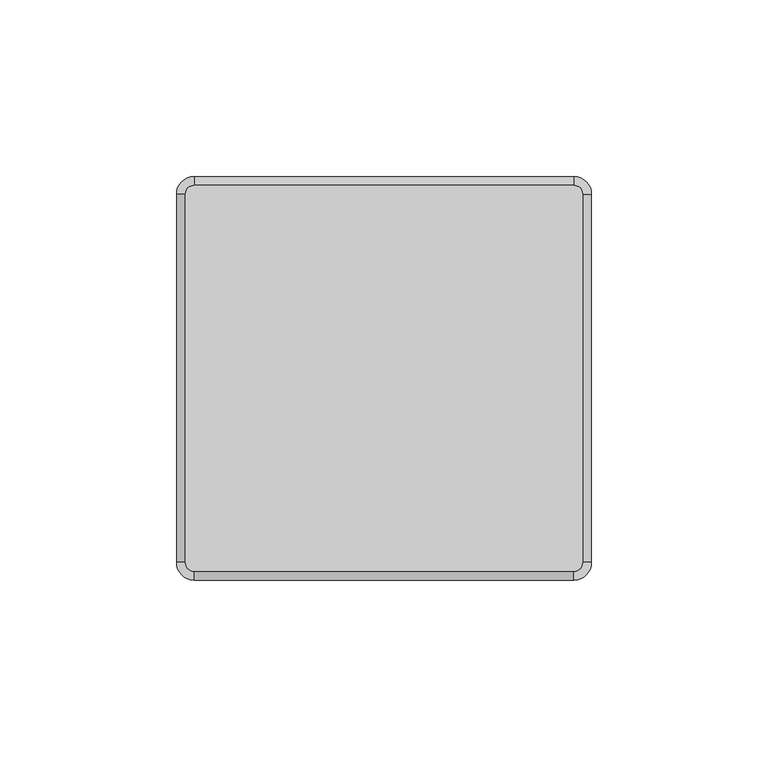
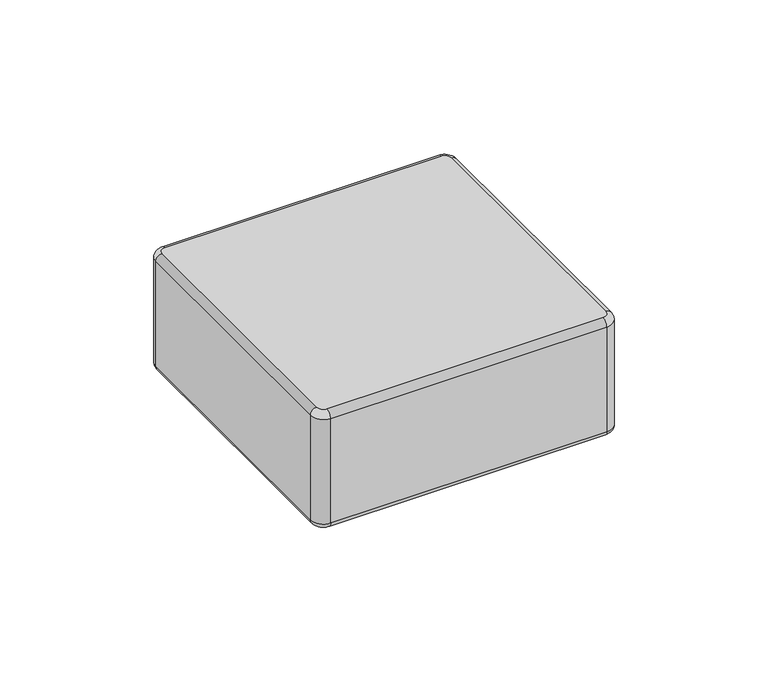
"""IFC4 building model written with IfcOpenShell, lengths in millimetres: plate geometry."""

from ifc_helpers import new_model, si_unit, point, frame, origin, place, context, project, spatial, circle_curve, ellipse_curve, trimmed, source, transform, mapped, element, save
from ifc_brep_helpers import plane_surface, cylinder_surface, revolved_surface, advanced_brep


def plate_c37a304c(model_context):
    return source(origin(), model_context, "Body", "AdvancedBrep", [
        advanced_brep(
        [(56.2624998, -52.15, 48.0), (56.2624998, 52.15, 48.0), (53.7624998, 54.65, 48.0), (-53.7375002, 54.65, 48.0), (-56.2375002, 52.15, 48.0), (-56.2375002, -52.15, 48.0), (-53.7375002, -54.65, 48.0), (53.7624998, -54.65, 48.0), (-56.2375002, -52.15, 0.0), (-56.2375002, 52.15, 0.0), (-53.7375002, 54.65, 0.0), (53.7624998, 54.65, 0.0), (56.2624998, 52.15, 0.0), (56.2624998, -52.15, 0.0), (53.7624998, -54.65, 0.0), (-53.7375002, -54.65, 0.0), (-53.7375002, 57.15, 2.5), (-53.7375002, 57.15, 45.5000008), (53.7624998, 57.15, 45.5), (53.7624998, 57.15, 2.4999992), (58.7624998, 52.15, 2.5), (58.7624998, 52.15, 45.5000009), (58.7624998, -52.15, 45.5), (58.7624998, -52.15, 2.4999992), (53.7624998, -57.15, 2.5), (53.7624998, -57.15, 45.5000008), (-53.7375002, -57.15, 45.5), (-53.7375002, -57.15, 2.4999992), (-58.7375002, -52.15, 2.4999981), (-58.7375002, -52.15, 45.5000009), (-58.7375002, 52.15, 45.5), (-58.7375002, 52.15, 2.4999992)],
        [
            (0, 1),
            (1, 2, circle_curve(frame((53.7624998, 52.15, 48.0), z_axis=(0.0, 0.0, 1.0), x_axis=(0.0, 1.0, 0.0)), 2.5)),
            (2, 3),
            (3, 4, circle_curve(frame((-53.7375002, 52.15, 48.0), z_axis=(0.0, 0.0, 1.0), x_axis=(-1.0, 0.0, 0.0)), 2.5)),
            (4, 5),
            (5, 6, circle_curve(frame((-53.7375002, -52.15, 48.0), z_axis=(0.0, 0.0, 1.0), x_axis=(0.0, -1.0, 0.0)), 2.5)),
            (6, 7),
            (7, 0, circle_curve(frame((53.7624998, -52.15, 48.0), z_axis=(0.0, 0.0, 1.0), x_axis=(1.0, 0.0, 0.0)), 2.5)),
            (8, 9),
            (9, 10, circle_curve(frame((-53.7375002, 52.15, 0.0), z_axis=(0.0, 0.0, -1.0), x_axis=(0.0, 1.0, 0.0)), 2.5)),
            (10, 11),
            (11, 12, circle_curve(frame((53.7624998, 52.15, 0.0), z_axis=(0.0, 0.0, -1.0), x_axis=(1.0, 0.0, 0.0)), 2.5)),
            (12, 13),
            (13, 14, circle_curve(frame((53.7624998, -52.15, 0.0), z_axis=(0.0, 0.0, -1.0), x_axis=(0.0, -1.0, 0.0)), 2.5)),
            (14, 15),
            (15, 8, circle_curve(frame((-53.7375002, -52.15, 0.0), z_axis=(0.0, 0.0, -1.0), x_axis=(-1.0, 0.0, 0.0)), 2.5)),
            (16, 17),
            (17, 18),
            (18, 19),
            (19, 16),
            (20, 21),
            (21, 22),
            (22, 23),
            (23, 20),
            (24, 25),
            (25, 26),
            (26, 27),
            (27, 24),
            (28, 29),
            (29, 30),
            (30, 31),
            (31, 28),
            (30, 17, circle_curve(frame((-53.7375002, 52.15, 45.5), z_axis=(0.0, 0.0, -1.0), x_axis=(1.0, 0.0, 0.0)), 5.0)),
            (16, 31, circle_curve(frame((-53.7375002, 52.15, 2.5), z_axis=(0.0, 0.0, 1.0), x_axis=(1.0, 0.0, 0.0)), 5.0)),
            (18, 21, circle_curve(frame((53.7624998, 52.15, 45.5), z_axis=(0.0, 0.0, -1.0), x_axis=(1.0, 0.0, 0.0)), 5.0)),
            (20, 19, circle_curve(frame((53.7624998, 52.15, 2.5), z_axis=(0.0, 0.0, 1.0), x_axis=(1.0, 0.0, 0.0)), 5.0)),
            (22, 25, circle_curve(frame((53.7624998, -52.15, 45.5), z_axis=(0.0, 0.0, -1.0), x_axis=(1.0, 0.0, 0.0)), 5.0)),
            (24, 23, circle_curve(frame((53.7624998, -52.15, 2.5), z_axis=(0.0, 0.0, 1.0), x_axis=(1.0, 0.0, 0.0)), 5.0)),
            (26, 29, circle_curve(frame((-53.7375002, -52.15, 45.5), z_axis=(0.0, 0.0, -1.0), x_axis=(1.0, 0.0, 0.0)), 5.0)),
            (28, 27, circle_curve(frame((-53.7375002, -52.15, 2.5), z_axis=(0.0, 0.0, 1.0), x_axis=(1.0, 0.0, 0.0)), 5.0)),
            (28, 8, circle_curve(frame((-56.2375002, -52.15, 2.5), z_axis=(0.0, -1.0, 0.0), x_axis=(1.0, 0.0, 0.0)), 2.5)),
            (15, 27, circle_curve(frame((-53.7375002, -54.65, 2.5), z_axis=(-1.0, 0.0, 0.0), x_axis=(0.0, 1.0, 0.0)), 2.5)),
            (14, 24, circle_curve(frame((53.7624998, -54.65, 2.5), z_axis=(-1.0, 0.0, 0.0), x_axis=(0.0, 1.0, 0.0)), 2.5)),
            (13, 23, circle_curve(frame((56.2624998, -52.15, 2.5), z_axis=(0.0, -1.0, 0.0), x_axis=(-1.0, 0.0, 0.0)), 2.5)),
            (12, 20, circle_curve(frame((56.2624998, 52.15, 2.5), z_axis=(0.0, -1.0, 0.0), x_axis=(-1.0, 0.0, 0.0)), 2.5)),
            (11, 19, circle_curve(frame((53.7624998, 54.65, 2.5), z_axis=(1.0, 0.0, 0.0), x_axis=(0.0, -1.0, 0.0)), 2.5)),
            (10, 16, circle_curve(frame((-53.7375002, 54.65, 2.5), z_axis=(1.0, 0.0, 0.0), x_axis=(0.0, -1.0, 0.0)), 2.5)),
            (9, 31, circle_curve(frame((-56.2375002, 52.15, 2.5), z_axis=(0.0, 1.0, 0.0), x_axis=(1.0, 0.0, 0.0)), 2.5)),
            (22, 0, circle_curve(frame((56.2624998, -52.15, 45.5), z_axis=(0.0, -1.0, 0.0), x_axis=(-1.0, 0.0, 0.0)), 2.5)),
            (7, 25, circle_curve(frame((53.7624998, -54.65, 45.5), z_axis=(1.0, 0.0, 0.0), x_axis=(0.0, 1.0, 0.0)), 2.5)),
            (6, 26, circle_curve(frame((-53.7375002, -54.65, 45.5), z_axis=(1.0, 0.0, 0.0), x_axis=(0.0, 1.0, 0.0)), 2.5)),
            (5, 29, circle_curve(frame((-56.2375002, -52.15, 45.5), z_axis=(0.0, -1.0, 0.0), x_axis=(1.0, 0.0, 0.0)), 2.5)),
            (4, 30, circle_curve(frame((-56.2375002, 52.15, 45.5), z_axis=(0.0, -1.0, 0.0), x_axis=(1.0, 0.0, 0.0)), 2.5)),
            (3, 17, circle_curve(frame((-53.7375002, 54.65, 45.5), z_axis=(-1.0, 0.0, 0.0), x_axis=(0.0, -1.0, 0.0)), 2.5)),
            (2, 18, circle_curve(frame((53.7624998, 54.65, 45.5), z_axis=(-1.0, 0.0, 0.0), x_axis=(0.0, -1.0, 0.0)), 2.5)),
            (1, 21, circle_curve(frame((56.2624998, 52.15, 45.5), z_axis=(0.0, 1.0, 0.0), x_axis=(-1.0, 0.0, 0.0)), 2.5)),
        ],
        [
            plane_surface(frame((-48.7375002, 52.15, 48.0), z_axis=(0.0, 0.0, 1.0), x_axis=(0.0, -1.0, 0.0))),
            plane_surface(frame((-48.7375002, 52.15, 0.0), z_axis=(0.0, 0.0, -1.0), x_axis=(0.0, 1.0, 0.0))),
            plane_surface(frame((-53.7375002, 57.15, 48.0), z_axis=(0.0, 1.0, 0.0), x_axis=(0.0, 0.0, -1.0))),
            plane_surface(frame((58.7624998, 52.15, 48.0), z_axis=(1.0, 0.0, 0.0), x_axis=(0.0, 0.0, -1.0))),
            plane_surface(frame((53.7624998, -57.15, 48.0), z_axis=(0.0, -1.0, 0.0), x_axis=(0.0, 0.0, -1.0))),
            plane_surface(frame((-58.7375002, -52.15, 48.0), z_axis=(-1.0, 0.0, 0.0), x_axis=(0.0, 0.0, -1.0))),
            cylinder_surface(frame((-53.7375002, 52.15, 0.0), z_axis=(0.0, 0.0, 1.0), x_axis=(1.0, 0.0, 0.0)), 5.0),
            cylinder_surface(frame((53.7624998, 52.15, 0.0), z_axis=(0.0, 0.0, 1.0), x_axis=(1.0, 0.0, 0.0)), 5.0),
            cylinder_surface(frame((53.7624998, -52.15, 0.0), z_axis=(0.0, 0.0, 1.0), x_axis=(1.0, 0.0, 0.0)), 5.0),
            cylinder_surface(frame((-53.7375002, -52.15, 0.0), z_axis=(0.0, 0.0, 1.0), x_axis=(1.0, 0.0, 0.0)), 5.0),
            revolved_surface(trimmed(ellipse_curve(frame((-56.2375002, -52.15, 2.5), z_axis=(0.0, -1.0, 0.0), x_axis=(1.0, 0.0, 0.0)), 2.5, 2.5), [point((-58.7375002, -52.15, 2.5))], [point((-56.2375002, -52.15, 0.0))], True, "CARTESIAN"), (-53.7375002, -52.15, 0.0), (0.0, 0.0, -1.0)),
            cylinder_surface(frame((-53.7375002, -54.65, 2.5), z_axis=(1.0, 0.0, 0.0), x_axis=(0.0, 1.0, 0.0)), 2.5),
            revolved_surface(trimmed(ellipse_curve(frame((53.7624998, -54.65, 2.5), z_axis=(1.0, 0.0, 0.0), x_axis=(0.0, 1.0, 0.0)), 2.5, 2.5), [point((53.7624998, -57.15, 2.5))], [point((53.7624998, -54.65, 0.0))], True, "CARTESIAN"), (53.7624998, -52.15, 0.0), (0.0, 0.0, -1.0)),
            cylinder_surface(frame((56.2624998, -52.15, 2.5), z_axis=(0.0, 1.0, 0.0), x_axis=(-1.0, 0.0, 0.0)), 2.5),
            revolved_surface(trimmed(ellipse_curve(frame((56.2624998, 52.15, 2.5), z_axis=(0.0, 1.0, 0.0), x_axis=(-1.0, 0.0, 0.0)), 2.5, 2.5), [point((58.7624998, 52.15, 2.5))], [point((56.2624998, 52.15, 0.0))], True, "CARTESIAN"), (53.7624998, 52.15, 0.0), (0.0, 0.0, -1.0)),
            cylinder_surface(frame((53.7624998, 54.65, 2.5), z_axis=(-1.0, 0.0, 0.0), x_axis=(0.0, -1.0, 0.0)), 2.5),
            revolved_surface(trimmed(ellipse_curve(frame((-53.7375002, 54.65, 2.5), z_axis=(-1.0, 0.0, 0.0), x_axis=(0.0, -1.0, 0.0)), 2.5, 2.5), [point((-53.7375002, 57.15, 2.5))], [point((-53.7375002, 54.65, 0.0))], True, "CARTESIAN"), (-53.7375002, 52.15, 0.0), (0.0, 0.0, -1.0)),
            cylinder_surface(frame((-56.2375002, 52.15, 2.5), z_axis=(0.0, -1.0, 0.0), x_axis=(1.0, 0.0, 0.0)), 2.5),
            revolved_surface(trimmed(ellipse_curve(frame((56.2624998, -52.15, 45.5), z_axis=(0.0, -1.0, 0.0), x_axis=(-1.0, 0.0, 0.0)), 2.5, 2.5), [point((58.7624998, -52.15, 45.5))], [point((56.2624998, -52.15, 48.0))], True, "CARTESIAN"), (53.7624998, -52.15, 48.0), (0.0, 0.0, 1.0)),
            cylinder_surface(frame((53.7624998, -54.65, 45.5), z_axis=(-1.0, 0.0, 0.0), x_axis=(0.0, 1.0, 0.0)), 2.5),
            revolved_surface(trimmed(ellipse_curve(frame((-53.7375002, -54.65, 45.5), z_axis=(-1.0, 0.0, 0.0), x_axis=(0.0, 1.0, 0.0)), 2.5, 2.5), [point((-53.7375002, -57.15, 45.5))], [point((-53.7375002, -54.65, 48.0))], True, "CARTESIAN"), (-53.7375002, -52.15, 48.0), (0.0, 0.0, 1.0)),
            cylinder_surface(frame((-56.2375002, -52.15, 45.5), z_axis=(0.0, 1.0, 0.0), x_axis=(1.0, 0.0, 0.0)), 2.5),
            revolved_surface(trimmed(ellipse_curve(frame((-56.2375002, 52.15, 45.5), z_axis=(0.0, 1.0, 0.0), x_axis=(1.0, 0.0, 0.0)), 2.5, 2.5), [point((-58.7375002, 52.15, 45.5))], [point((-56.2375002, 52.15, 48.0))], True, "CARTESIAN"), (-53.7375002, 52.15, 48.0), (0.0, 0.0, 1.0)),
            cylinder_surface(frame((-53.7375002, 54.65, 45.5), z_axis=(1.0, 0.0, 0.0), x_axis=(0.0, -1.0, 0.0)), 2.5),
            revolved_surface(trimmed(ellipse_curve(frame((53.7624998, 54.65, 45.5), z_axis=(1.0, 0.0, 0.0), x_axis=(0.0, -1.0, 0.0)), 2.5, 2.5), [point((53.7624998, 57.15, 45.5))], [point((53.7624998, 54.65, 48.0))], True, "CARTESIAN"), (53.7624998, 52.15, 48.0), (0.0, 0.0, 1.0)),
            cylinder_surface(frame((56.2624998, 52.15, 45.5), z_axis=(0.0, -1.0, 0.0), x_axis=(-1.0, 0.0, 0.0)), 2.5),
        ],
        [
            (0, [[1, 2, 3, 4, 5, 6, 7, 8]]),
            (1, [[9, 10, 11, 12, 13, 14, 15, 16]]),
            (2, [[17, 18, 19, 20]]),
            (3, [[21, 22, 23, 24]]),
            (4, [[25, 26, 27, 28]]),
            (5, [[29, 30, 31, 32]]),
            (6, [[-31, 33, -17, 34]]),
            (7, [[-19, 35, -21, 36]]),
            (8, [[-23, 37, -25, 38]]),
            (9, [[-27, 39, -29, 40]]),
            (10, [[-40, 41, -16, 42]]),
            (11, [[-15, 43, -28, -42]]),
            (12, [[-14, 44, -38, -43]]),
            (13, [[-13, 45, -24, -44]]),
            (14, [[-12, 46, -36, -45]]),
            (15, [[-11, 47, -20, -46]]),
            (16, [[-10, 48, -34, -47]]),
            (17, [[-32, -48, -9, -41]]),
            (18, [[-37, 49, -8, 50]]),
            (19, [[-7, 51, -26, -50]]),
            (20, [[-6, 52, -39, -51]]),
            (21, [[-5, 53, -30, -52]]),
            (22, [[-4, 54, -33, -53]]),
            (23, [[-3, 55, -18, -54]]),
            (24, [[-2, 56, -35, -55]]),
            (25, [[-22, -56, -1, -49]]),
        ],
    ),
    ])


if __name__ == "__main__":
    model = new_model("IFC4")
    model_context = context("Model", 3, world=origin())
    ifc_project = project(units=[si_unit("LENGTHUNIT", "METRE", prefix="MILLI")], contexts=[model_context])
    site = spatial("IfcSite", under=ifc_project)
    building = spatial("IfcBuilding", under=site)
    placement = place(None, origin())
    plate_shape = plate_c37a304c(model_context)
    element("IfcPlate", 1, at=placement, inside=building, context=model_context, shape_type="MappedRepresentation", body=[
        mapped(plate_shape, transform((0.0, 0.0, 0.0), x_axis=(1.0, 0.0, 0.0), y_axis=(0.0, 1.0, 0.0), z_axis=(0.0, 0.0, 1.0))),
    ])
    save(model, "model.ifc")
